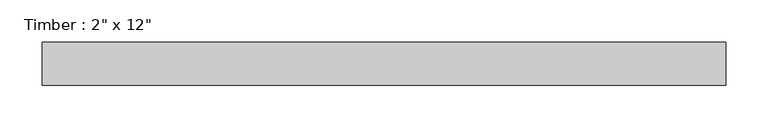
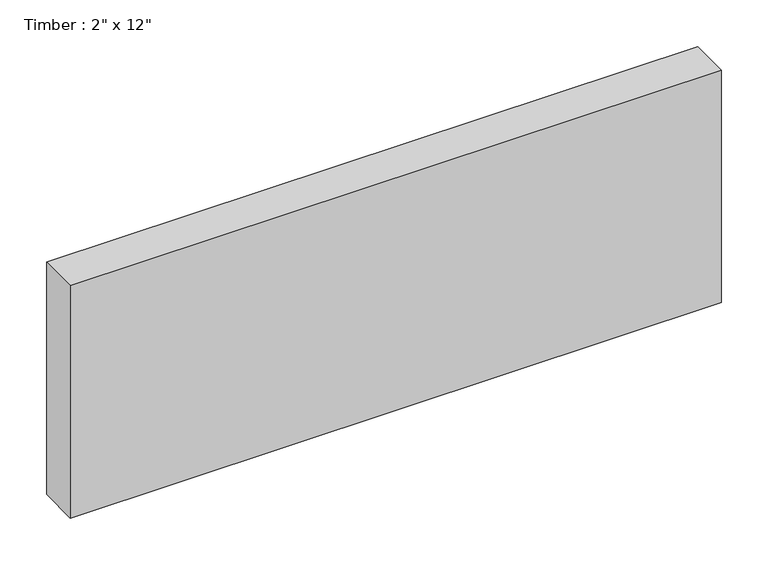
"""IFC4 building model written with IfcOpenShell, lengths in millimetres: beam geometry."""

from ifc_helpers import new_model, si_unit, frame, origin, place, context, project, spatial, polyline, outline, extrude, source, transform, mapped, element, save


def beam_24220b68(model_context):
    return source(origin(), model_context, "Body", "SweptSolid", [
        extrude(outline(polyline([(395.9326242, 25.4), (395.9326242, -25.4), (-410.5490365, -25.4), (-410.5490365, 25.4), (395.9326242, 25.4)])), frame((0.0, 0.0, -152.4), z_axis=(0.0, 0.0, 1.0), x_axis=(1.0, 0.0, 0.0)), (0.0, 0.0, 1.0), 304.8),
    ])


if __name__ == "__main__":
    model = new_model("IFC4")
    model_context = context("Model", 3, world=origin())
    ifc_project = project(units=[si_unit("LENGTHUNIT", "METRE", prefix="MILLI")], contexts=[model_context])
    site = spatial("IfcSite", under=ifc_project)
    building = spatial("IfcBuilding", under=site)
    placement = place(None, origin())
    beam_shape = beam_24220b68(model_context)
    element("IfcBeam", 1, ObjectType="Timber : 2\" x 12\"", at=placement, inside=building, context=model_context, shape_type="MappedRepresentation", body=[
        mapped(beam_shape, transform((0.0, 0.0, 0.0), x_axis=(1.0, 0.0, 0.0), y_axis=(0.0, 1.0, 0.0), z_axis=(0.0, 0.0, 1.0))),
    ])
    save(model, "model.ifc")
